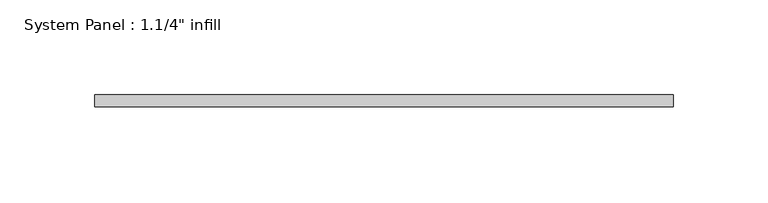
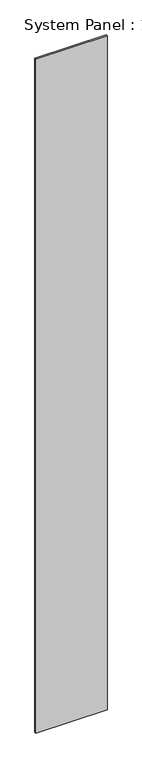
"""IFC4 building model written with IfcOpenShell, lengths in millimetres: plate geometry."""

import ifcopenshell
import ifcopenshell.guid

model = None  # the IFC model being written
_history = None  # IfcOwnerHistory: only IFC2X3 demands one
_inside = {}  # id of a spatial element -> (the spatial element, [elements in it])
_under = {}  # id of a project, library or spatial element -> (it, [spatial elements below it])
_declared = {}  # id of a project -> (the project, [libraries it declares])
_typed = {}  # id of a type object -> (the type object, [elements of that type])
_made_of = {}  # id of a material, layer set ... -> (it, [elements and type objects made of it])


def new_model(schema):
    """Start an empty IFC model of exactly this schema.

    Asked for "IFC4X3", IfcOpenShell would pick the latest addendum, in which some entities
    have other attributes; the version numbers below select the first issue.
    IFC2X3 requires an IfcOwnerHistory on every rooted entity: one is made here for all.
    """
    global model, _history
    if schema == "IFC4X3":
        model = ifcopenshell.file(schema_version=(4, 3, 0, 0))
    else:
        model = ifcopenshell.file(schema=schema)
    _inside.clear()
    _under.clear()
    _declared.clear()
    _typed.clear()
    _made_of.clear()
    _history = None
    if model.schema == "IFC2X3":
        org = make("IfcOrganization", Name="unknown")
        user = make(
            "IfcPersonAndOrganization",
            ThePerson=make("IfcPerson", FamilyName="unknown"),
            TheOrganization=org,
        )
        app = make(
            "IfcApplication",
            ApplicationDeveloper=org,
            Version="unknown",
            ApplicationFullName="unknown",
            ApplicationIdentifier="unknown",
        )
        _history = make(
            "IfcOwnerHistory",
            OwningUser=user,
            OwningApplication=app,
            ChangeAction="ADDED",
            CreationDate=0,
        )
    return model


def make(cls, **values):
    """One entity of the class cls with the attributes given. An attribute that is None is left unset."""
    return model.create_entity(
        cls, **{name: value for name, value in values.items() if value is not None}
    )


def rooted(cls, **values):
    """An entity with a GlobalId (a new one), such as an element, a storey or a relation."""
    return make(cls, GlobalId=ifcopenshell.guid.new(), OwnerHistory=_history, **values)


def si_unit(unit_type, name, prefix=None):
    """IfcSIUnit, for example si_unit("LENGTHUNIT", "METRE", prefix="MILLI")."""
    return make("IfcSIUnit", UnitType=unit_type, Prefix=prefix, Name=name)


def assignment(units):
    """IfcUnitAssignment: the units of a project."""
    return None if units is None else make("IfcUnitAssignment", Units=units)


def point(xyz):
    """IfcCartesianPoint."""
    return None if xyz is None else make("IfcCartesianPoint", Coordinates=xyz)


def direction(xyz):
    """IfcDirection."""
    return None if xyz is None else make("IfcDirection", DirectionRatios=xyz)


def frame(location, z_axis=None, x_axis=None):
    """IfcAxis2Placement3D, a coordinate frame: its origin and axes. An axis left out is left unset."""
    return make(
        "IfcAxis2Placement3D",
        Location=point(location),
        Axis=direction(z_axis),
        RefDirection=direction(x_axis),
    )


def origin():
    """The frame at (0, 0, 0) with its axes left unset."""
    return frame((0.0, 0.0, 0.0))


def origin_with_axes():
    """The frame at (0, 0, 0) with the z axis (0, 0, 1) and the x axis (1, 0, 0) written out."""
    return frame((0.0, 0.0, 0.0), z_axis=(0.0, 0.0, 1.0), x_axis=(1.0, 0.0, 0.0))


def place(relative_to, where):
    """IfcLocalPlacement: puts the frame where relative to a parent placement (None: the world)."""
    return make(
        "IfcLocalPlacement", PlacementRelTo=relative_to, RelativePlacement=where
    )


def context(
    kind, dimensions, precision=None, world=None, true_north=None, identifier=None
):
    """IfcGeometricRepresentationContext, for example the 3D "Model" context."""
    return make(
        "IfcGeometricRepresentationContext",
        ContextIdentifier=identifier,
        ContextType=kind,
        CoordinateSpaceDimension=dimensions,
        Precision=precision,
        WorldCoordinateSystem=world,
        TrueNorth=true_north,
    )


def project(units=None, contexts=None):
    """IfcProject with its units and contexts."""
    return rooted(
        "IfcProject",
        Name="project",
        RepresentationContexts=contexts,
        UnitsInContext=assignment(units),
    )


def spatial(cls, under=None, at=None, **own):
    """A site, building, storey or space (cls), placed at a placement, below another one or the project."""
    s = rooted(cls, ObjectPlacement=at, **own)
    if under is not None:
        _under.setdefault(under.id(), (under, []))[1].append(s)
    return s


def polyline(points):
    """IfcPolyline through the points."""
    return make("IfcPolyline", Points=[point(p) for p in points])


def outline(outer, holes=None, kind="AREA"):
    """IfcArbitraryClosedProfileDef: a profile drawn as a closed curve; with holes, ...WithVoids."""
    if holes is None:
        return make("IfcArbitraryClosedProfileDef", ProfileType=kind, OuterCurve=outer)
    return make(
        "IfcArbitraryProfileDefWithVoids",
        ProfileType=kind,
        OuterCurve=outer,
        InnerCurves=holes,
    )


def extrude(swept, where, along, depth):
    """IfcExtrudedAreaSolid: the profile swept, set in the frame where, extruded along a direction by depth."""
    return make(
        "IfcExtrudedAreaSolid",
        SweptArea=swept,
        Position=where,
        ExtrudedDirection=direction(along),
        Depth=depth,
    )


def shape(context_of_items, identifier, shape_type, items):
    """IfcShapeRepresentation: the items that make up one representation, for example the "Body"."""
    return make(
        "IfcShapeRepresentation",
        ContextOfItems=context_of_items,
        RepresentationIdentifier=identifier,
        RepresentationType=shape_type,
        Items=items,
    )


def source(mapping_origin, context_of_items, identifier, shape_type, items):
    """IfcRepresentationMap: a shape defined once, which mapped items show again and again."""
    return make(
        "IfcRepresentationMap",
        MappingOrigin=mapping_origin,
        MappedRepresentation=shape(context_of_items, identifier, shape_type, items),
    )


def transform(
    local_origin,
    x_axis=None,
    y_axis=None,
    z_axis=None,
    scale=None,
    scale2=None,
    scale3=None,
    uniform=True,
):
    """IfcCartesianTransformationOperator3D, or its non-uniform kind. x_axis, y_axis, z_axis: its Axis1, 2, 3."""
    if uniform:
        return make(
            "IfcCartesianTransformationOperator3D",
            Axis1=direction(x_axis),
            Axis2=direction(y_axis),
            LocalOrigin=point(local_origin),
            Scale=scale,
            Axis3=direction(z_axis),
        )
    return make(
        "IfcCartesianTransformationOperator3DnonUniform",
        Axis1=direction(x_axis),
        Axis2=direction(y_axis),
        LocalOrigin=point(local_origin),
        Scale=scale,
        Axis3=direction(z_axis),
        Scale2=scale2,
        Scale3=scale3,
    )


def mapped(mapping_source, mapping_target):
    """IfcMappedItem: shows the shape of a source again, moved by a transform."""
    return make(
        "IfcMappedItem", MappingSource=mapping_source, MappingTarget=mapping_target
    )


def made_of(thing, what):
    """Note that an element or type object is made of a material, layer set ...; save() writes the relation."""
    if what is not None:
        _made_of.setdefault(what.id(), (what, []))[1].append(thing)
    return thing


def element(
    cls,
    number,
    at=None,
    inside=None,
    cuts=None,
    type_object=None,
    material=None,
    context=None,
    identifier="Body",
    shape_type=None,
    held_by="IfcProductDefinitionShape",
    body=None,
    shapes=None,
    **own,
):
    """One element of the class cls, such as IfcWall. Its Tag is "e" and its number.

    at: its placement. inside: the storey or other place that contains it. cuts: it is an
    opening in that element (IfcRelVoidsElement). A single representation is given by context,
    identifier, shape_type and body (its items); several are given by shapes. held_by: the class
    of the entity that holds the representations. save() writes the other relations.
    """
    e = rooted(cls, Tag="e%d" % number, ObjectPlacement=at, **own)
    if body is not None:
        shapes = [shape(context, identifier, shape_type, body)]
    if shapes is not None:
        e.Representation = make(held_by, Representations=shapes)
    if inside is not None:
        _inside.setdefault(inside.id(), (inside, []))[1].append(e)
    if cuts is not None:
        rooted(
            "IfcRelVoidsElement", RelatingBuildingElement=cuts, RelatedOpeningElement=e
        )
    if type_object is not None:
        _typed.setdefault(type_object.id(), (type_object, []))[1].append(e)
    return made_of(e, material)


def aggregate(whole, parts):
    """IfcRelAggregates: a whole, such as a stair, and the parts it consists of."""
    return rooted("IfcRelAggregates", RelatingObject=whole, RelatedObjects=parts)


def save(model, path):
    """Write the relations noted so far, then the file.

    IfcRelAggregates (storeys below a building ...), IfcRelContainedInSpatialStructure (elements
    in a storey), IfcRelDefinesByType, IfcRelAssociatesMaterial and IfcRelDeclares: one each for
    every whole, place, type object, material and project.
    """
    for whole, parts in _under.values():
        aggregate(whole, parts)
    for where, things in _inside.values():
        rooted(
            "IfcRelContainedInSpatialStructure",
            RelatedElements=things,
            RelatingStructure=where,
        )
    for kind, things in _typed.values():
        rooted("IfcRelDefinesByType", RelatedObjects=things, RelatingType=kind)
    for what, things in _made_of.values():
        rooted("IfcRelAssociatesMaterial", RelatedObjects=things, RelatingMaterial=what)
    for by, libraries in _declared.values():
        rooted("IfcRelDeclares", RelatingContext=by, RelatedDefinitions=libraries)
    model.write(path)


def plate_f204d8bb(model_context):
    return source(origin(), model_context, "Body", "SweptSolid", [
        extrude(outline(polyline([(152.4171012, -0.0992187), (-152.4171012, -0.0992187), (-152.4171012, 6.2507813), (152.4171012, 6.2507813), (152.4171012, -0.0992187)])), origin_with_axes(), (0.0, 0.0, 1.0), 3048.0),
    ])


if __name__ == "__main__":
    model = new_model("IFC4")
    model_context = context("Model", 3, world=origin())
    ifc_project = project(units=[si_unit("LENGTHUNIT", "METRE", prefix="MILLI")], contexts=[model_context])
    site = spatial("IfcSite", under=ifc_project)
    building = spatial("IfcBuilding", under=site)
    placement = place(None, origin())
    plate_shape = plate_f204d8bb(model_context)
    element("IfcPlate", 1, ObjectType="System Panel : 1.1/4\" infill", at=placement, inside=building, context=model_context, shape_type="MappedRepresentation", body=[
        mapped(plate_shape, transform((0.0, 0.0, 0.0), x_axis=(1.0, 0.0, 0.0), y_axis=(0.0, 1.0, 0.0), z_axis=(0.0, 0.0, 1.0))),
    ])
    save(model, "model.ifc")
